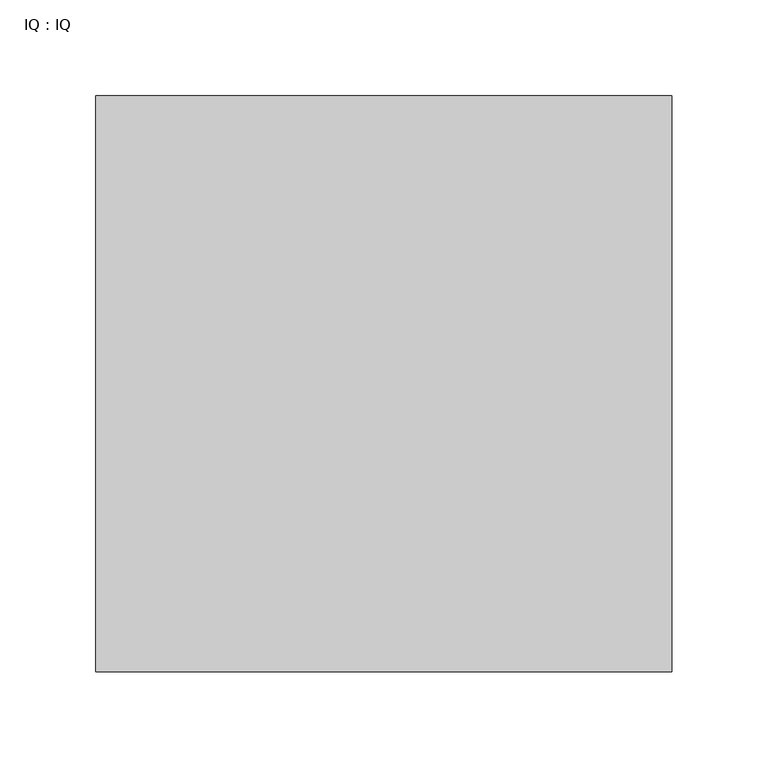
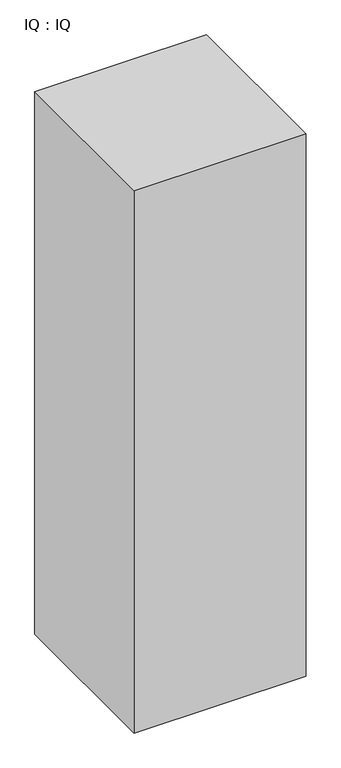
"""IFC4 building model written with IfcOpenShell, lengths in millimetres: proxy geometry, IQ : IQ."""

from ifc_helpers import new_model, si_unit, origin, origin_with_axes, place, context, project, spatial, polyline, outline, extrude, source, transform, mapped, element, save


def iq_iq_9aafb34e(model_context):
    return source(origin(), model_context, "Body", "SweptSolid", [
        extrude(outline(polyline([(300.0, 300.0), (300.0, 0.0), (0.0, 0.0), (0.0, 300.0), (300.0, 300.0)])), origin_with_axes(), (0.0, 0.0, 1.0), 1000.0),
    ])


if __name__ == "__main__":
    model = new_model("IFC4")
    model_context = context("Model", 3, world=origin())
    ifc_project = project(units=[si_unit("LENGTHUNIT", "METRE", prefix="MILLI")], contexts=[model_context])
    site = spatial("IfcSite", under=ifc_project)
    building = spatial("IfcBuilding", under=site)
    placement = place(None, origin())
    iq_iq_shape = iq_iq_9aafb34e(model_context)
    element("IfcBuildingElementProxy", 1, Name="IQ : IQ", ObjectType="IQ : IQ", at=placement, inside=building, context=model_context, shape_type="MappedRepresentation", body=[
        mapped(iq_iq_shape, transform((0.0, 0.0, 0.0), x_axis=(1.0, 0.0, 0.0), y_axis=(0.0, 1.0, 0.0), z_axis=(0.0, 0.0, 1.0))),
    ])
    save(model, "model.ifc")
